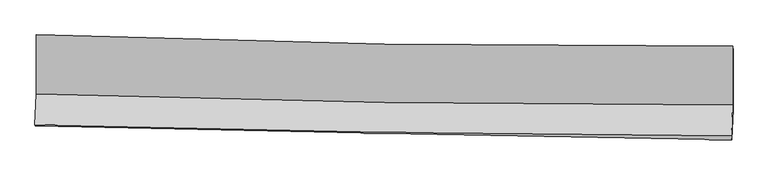
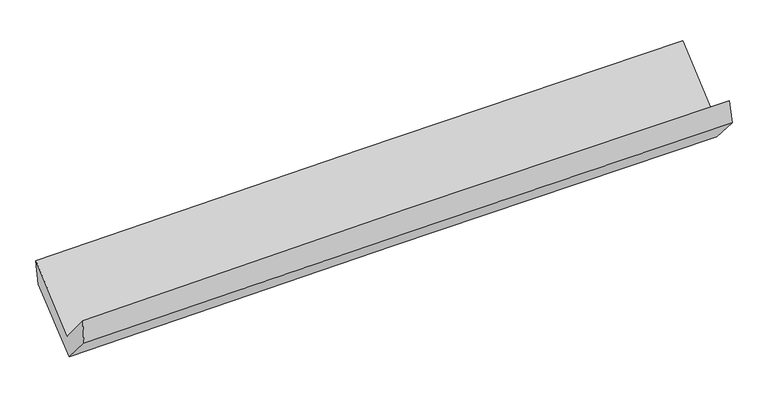
"""IFC4 building model written with IfcOpenShell, lengths in millimetres: proxy geometry."""

from ifc_helpers import new_model, si_unit, frame, origin, place, context, project, spatial, source, transform, mapped, element, save
from ifc_brep_helpers import plane_surface, spline_curve, spline_surface, advanced_brep


def generic_models_bc9e25b9(model_context):
    return source(origin(), model_context, "Body", "AdvancedBrep", [
        advanced_brep(
        [(-3026.2160895, -1150.4695229, 2176.0609162), (-3025.5798823, -1664.3222209, 1738.8585844), (3015.2348283, -1761.2897072, 1875.1141121), (3014.5985878, -1247.4101247, 2312.3393182), (-3036.0658422, -1931.8592669, 2055.5439463), (3004.7728937, -2028.2137748, 2191.0738875), (-3031.9041576, -1943.9196574, 1836.6207138), (3008.1657072, -2064.0943294, 1992.0568073), (-3022.2118076, -1691.2666561, 1548.1327506), (3018.3641848, -1798.2479676, 1688.5042074), (-3022.4176253, -1182.3121682, 1959.8157735), (3018.1567899, -1285.3933228, 2103.3419885)],
        [
            (0, 1),
            (1, 2, spline_curve(3, [(-3025.5798823, -1664.3222209, 1738.8585844), (-2019.640695957, -1697.51980381, 1790.05278847), (-1013.254768175, -1722.199205991, 1827.004431139), (1000.350188963, -1754.520680004, 1872.421232173), (2007.569164957, -1762.163773215, 1880.888098584), (3015.2348283, -1761.2897072, 1875.1141121)], [4, 2, 4], [0.0, 9.915102792740239, 19.82961096635424])),
            (2, 3),
            (3, 0, spline_curve(3, [(3014.5985878, -1247.4101247, 2312.3393182), (2006.939327246, -1253.455639489, 2313.713270412), (999.723555745, -1248.40058871, 2303.044414465), (-1013.881390157, -1216.088386363, 2257.619725211), (-2020.270510891, -1188.82990314, 2222.862446822), (-3026.2160895, -1150.4695229, 2176.0609162)], [4, 2, 4], [0.0, 9.914508173614003, 19.82961096635424])),
            (1, 4),
            (4, 5, spline_curve(3, [(-3036.0658422, -1931.8592669, 2055.5439463), (-2029.962148943, -1960.859647465, 2101.769894253), (-1023.49196784, -1983.389426618, 2136.177013977), (990.120987988, -2015.506819896, 2181.35224378), (1997.263719039, -2025.095209703, 2192.121770666), (3004.7728937, -2028.2137748, 2191.0738875)], [4, 2, 4], [0.0, 9.914855381732457, 19.829116159176174])),
            (5, 2),
            (4, 6),
            (6, 7, spline_curve(3, [(-3031.9041576, -1943.9196574, 1836.6207138), (-2025.496449459, -1967.312849302, 1871.970272177), (-1018.938342013, -1989.024250898, 1902.598306386), (994.418297846, -2029.082273105, 1954.409770974), (2001.216812026, -2047.429095473, 1975.593768386), (3008.1657072, -2064.0943294, 1992.0568073)], [4, 2, 4], [0.0, 9.914123465634804, 19.827652370874645])),
            (7, 5),
            (6, 8),
            (8, 9, spline_curve(3, [(-3022.2118076, -1691.2666561, 1548.1327506), (-2015.719688438, -1712.459489184, 1580.969863078), (-1009.077197169, -1731.971231943, 1609.086250209), (1004.448151943, -1767.631467334, 1655.876169529), (2011.33099106, -1783.780161761, 1674.550268298), (3018.3641848, -1798.2479676, 1688.5042074)], [4, 2, 4], [0.0, 9.913829395408522, 19.827064248057784])),
            (9, 7),
            (8, 10),
            (10, 11, spline_curve(3, [(-3022.4176253, -1182.3121682, 1959.8157735), (-2015.924112678, -1206.950554385, 1989.865847912), (-1009.281056073, -1227.859989338, 2016.851669746), (1004.243766663, -1262.219926731, 2064.693373653), (2011.125515237, -1275.67087659, 2085.549623695), (3018.1567899, -1285.3933228, 2103.3419885)], [4, 2, 4], [0.0, 9.91373992517961, 19.826885312965583])),
            (11, 9),
            (10, 0),
            (3, 11),
        ],
        [
            spline_surface(3, 3, [[(-3026.2160895, -1150.4695229, 2176.0609162), (-2020.270510926, -1188.829903289, 2222.862446892), (-1013.881390019, -1216.088386348, 2257.61972513), (999.723555607, -1248.400588725, 2303.044414546), (2006.939327145, -1253.455639622, 2313.713270336), (3014.5985878, -1247.4101247, 2312.3393182)], [(-3026.004020427, -1321.753755552, 2030.326805582), (-2020.060572559, -1358.393203474, 2078.592560732), (-1013.672516049, -1384.791992939, 2114.08129381), (999.932433402, -1417.107285785, 2159.503353757), (2007.149273036, -1423.025017448, 2169.438213123), (3014.810667969, -1418.703318872, 2166.597582834)], [(-3025.791951373, -1493.037988248, 1884.592695018), (-2019.850634214, -1527.956503701, 1934.322674625), (-1013.463642128, -1553.495599514, 1970.542862472), (1000.14131115, -1585.813982829, 2015.962292949), (2007.35921892, -1592.594395259, 2025.163155908), (3015.022748131, -1589.996513028, 2020.855847466)], [(-3025.5798823, -1664.3222209, 1738.8585844), (-2019.640695847, -1697.519803886, 1790.052788465), (-1013.254768158, -1722.199206105, 1827.004431153), (1000.350188946, -1754.520679889, 1872.42123216), (2007.569164811, -1762.163773086, 1880.888098695), (3015.2348283, -1761.2897072, 1875.1141121)]], [4, 4], [4, 2, 4], [0.0, 2.1801821084787636], [0.0, 9.915102792740239, 19.82961096635424]),
            spline_surface(3, 3, [[(-3025.5798823, -1664.3222209, 1738.8585844), (-2019.640695847, -1697.519803886, 1790.052788465), (-1013.254768158, -1722.199206105, 1827.004431153), (1000.350188946, -1754.520679889, 1872.42123216), (2007.569164811, -1762.163773086, 1880.888098695), (3015.2348283, -1761.2897072, 1875.1141121)], [(-3029.07520227, -1753.501236232, 1844.420371725), (-2023.081180174, -1785.299751706, 1893.958490369), (-1016.667168076, -1809.262612947, 1930.061958785), (996.940455302, -1841.516059881, 1975.398235962), (2004.134016239, -1849.807585345, 1984.632656039), (3011.747516775, -1850.264396398, 1980.434037236)], [(-3032.57052223, -1842.680251568, 1949.982158975), (-2026.521664492, -1873.079699531, 1997.864192199), (-1020.07956797, -1896.326019798, 2033.119486487), (993.53072168, -1928.511439882, 2078.375239834), (2000.698867641, -1937.451397609, 2088.377213376), (3008.260205225, -1939.239085602, 2085.753962364)], [(-3036.0658422, -1931.8592669, 2055.5439463), (-2029.96214882, -1960.859647351, 2101.769894103), (-1023.491967888, -1983.38942664, 2136.177014119), (990.120988036, -2015.506819874, 2181.352243637), (1997.263719069, -2025.095209868, 2192.12177072), (3004.7728937, -2028.2137748, 2191.0738875)]], [4, 4], [4, 2, 4], [0.0, 1.3277667980820695], [0.0, 9.914855381732457, 19.829116159176174]),
            spline_surface(3, 3, [[(-3036.0658422, -1931.8592669, 2055.5439463), (-2029.96214882, -1960.859647351, 2101.769894103), (-1023.491967888, -1983.38942664, 2136.177014119), (990.120988036, -2015.506819874, 2181.352243637), (1997.263719069, -2025.095209868, 2192.12177072), (3004.7728937, -2028.2137748, 2191.0738875)], [(-3034.678613999, -1935.879397055, 1982.569535435), (-2028.47358231, -1963.010714602, 2025.17002015), (-1021.974092556, -1985.267701369, 2058.317444819), (991.553424602, -2020.031970953, 2105.704752794), (1998.581416688, -2032.539838365, 2119.945769934), (3005.903831525, -2040.173959642, 2124.734860765)], [(-3033.291385801, -1939.899527245, 1909.595124665), (-2026.985015805, -1965.161781888, 1948.570146292), (-1020.456217229, -1987.14597613, 1980.457875536), (992.985861165, -2024.557122064, 2030.057261967), (1999.899114333, -2039.984466936, 2047.769769153), (3007.034769375, -2052.134144558, 2058.395834035)], [(-3031.9041576, -1943.9196574, 1836.6207138), (-2025.496449296, -1967.312849139, 1871.970272339), (-1018.938341898, -1989.02425086, 1902.598306236), (994.418297732, -2029.082273144, 1954.409771123), (2001.216811952, -2047.429095432, 1975.593768366), (3008.1657072, -2064.0943294, 1992.0568073)]], [4, 4], [4, 2, 4], [0.0, 0.7562451248350067], [0.0, 9.914123465634804, 19.827652370874645]),
            spline_surface(3, 3, [[(-3031.9041576, -1943.9196574, 1836.6207138), (-2025.496449296, -1967.312849139, 1871.970272339), (-1018.938341898, -1989.02425086, 1902.598306236), (994.418297732, -2029.082273144, 1954.409771123), (2001.216811952, -2047.429095432, 1975.593768366), (3008.1657072, -2064.0943294, 1992.0568073)], [(-3028.673374266, -1859.701990298, 1740.458059432), (-2022.237529022, -1882.361729138, 1774.970136002), (-1015.651293632, -1903.339911191, 1804.760954242), (997.761582401, -1941.93200456, 1854.898570631), (2004.588205034, -1959.546117574, 1875.245935002), (3011.565199748, -1975.478875469, 1890.872607342)], [(-3025.442590934, -1775.484323202, 1644.295404968), (-2018.978608751, -1797.410609142, 1677.96999957), (-1012.364245299, -1817.655571538, 1706.923602166), (1001.104867138, -1854.781735992, 1755.387370057), (2007.959598071, -1871.663139707, 1774.898101611), (3014.964692252, -1886.863421531, 1789.688407358)], [(-3022.2118076, -1691.2666561, 1548.1327506), (-2015.719688478, -1712.459489142, 1580.969863233), (-1009.077197033, -1731.971231869, 1609.086250172), (1004.448151807, -1767.631467408, 1655.876169565), (2011.330991153, -1783.780161848, 1674.550268246), (3018.3641848, -1798.2479676, 1688.5042074)]], [4, 4], [4, 2, 4], [0.0, 1.2914172026275612], [0.0, 9.913829395408522, 19.827064248057784]),
            spline_surface(3, 3, [[(-3022.2118076, -1691.2666561, 1548.1327506), (-2015.719688478, -1712.459489142, 1580.969863233), (-1009.077197033, -1731.971231869, 1609.086250172), (1004.448151807, -1767.631467408, 1655.876169565), (2011.330991153, -1783.780161848, 1674.550268246), (3018.3641848, -1798.2479676, 1688.5042074)], [(-3022.280413501, -1521.615160138, 1685.360424877), (-2015.787829926, -1543.956510847, 1717.268524727), (-1009.145150075, -1563.934150999, 1745.008056634), (1004.380023488, -1599.160953897, 1792.14857095), (2011.262499184, -1614.410400144, 1811.550053362), (3018.295053167, -1627.296419332, 1826.783467773)], [(-3022.349019399, -1351.963664162, 1822.588099223), (-2015.855971372, -1375.45353254, 1853.567186289), (-1009.213103167, -1395.897070096, 1880.929863156), (1004.311895119, -1430.690440353, 1928.420972396), (2011.194007213, -1445.040638444, 1948.549838459), (3018.225921533, -1456.344871068, 1965.062728127)], [(-3022.4176253, -1182.3121682, 1959.8157735), (-2015.92411282, -1206.950554246, 1989.865847783), (-1009.281056209, -1227.859989226, 2016.851669617), (1004.243766799, -1262.219926842, 2064.693373781), (2011.125515244, -1275.67087674, 2085.549623575), (3018.1567899, -1285.3933228, 2103.3419885)]], [4, 4], [4, 2, 4], [0.0, 2.129984920539447], [0.0, 9.91373992517961, 19.826885312965583]),
            spline_surface(3, 3, [[(-3022.4176253, -1182.3121682, 1959.8157735), (-2015.92411282, -1206.950554246, 1989.865847783), (-1009.281056209, -1227.859989226, 2016.851669617), (1004.243766799, -1262.219926842, 2064.693373781), (2011.125515244, -1275.67087674, 2085.549623575), (3018.1567899, -1285.3933228, 2103.3419885)], [(-3023.683780039, -1171.697953125, 2031.89748775), (-2017.372912194, -1200.910337285, 2067.531380836), (-1010.814500816, -1223.936121602, 2097.107688136), (1002.737029732, -1257.613480805, 2144.143720718), (2009.730119194, -1268.26579772, 2161.604172479), (3016.970722516, -1272.732256786, 2173.00776505)], [(-3024.949934761, -1161.083737975, 2103.97920195), (-2018.821711552, -1194.87012025, 2145.196913839), (-1012.347945412, -1220.012253971, 2177.363706611), (1001.230292675, -1253.007034762, 2223.59406761), (2008.334723195, -1260.860718642, 2237.658721432), (3015.784655184, -1260.071190714, 2242.67354165)], [(-3026.2160895, -1150.4695229, 2176.0609162), (-2020.270510926, -1188.829903289, 2222.862446892), (-1013.881390019, -1216.088386348, 2257.61972513), (999.723555607, -1248.400588725, 2303.044414546), (2006.939327145, -1253.455639622, 2313.713270336), (3014.5985878, -1247.4101247, 2312.3393182)]], [4, 4], [4, 2, 4], [0.0, 0.7872192650471648], [0.0, 9.914227833828262, 19.827861101002494]),
            plane_surface(frame((3013.2154986, -1697.4415377, 2027.0717202), z_axis=(0.999679901414471, -0.015665518746328343, 0.01986671161420591), x_axis=(-0.0003144114696230823, 0.7774896277679506, 0.6288956828112923))),
            plane_surface(frame((-3027.3992341, -1594.0249154, 1885.8387808), z_axis=(-0.999679901414478, 0.01566551874613577, -0.019866711614011), x_axis=(0.01737552599358783, -0.14565958195478118, -0.989182175982364))),
        ],
        [
            (0, [[1, 2, 3, 4]]),
            (1, [[5, 6, 7, -2]]),
            (2, [[8, 9, 10, -6]]),
            (3, [[11, 12, 13, -9]]),
            (4, [[14, 15, 16, -12]]),
            (5, [[17, -4, 18, -15]]),
            (6, [[-16, -18, -3, -7, -10, -13]]),
            (7, [[-17, -14, -11, -8, -5, -1]]),
        ],
    ),
    ])


if __name__ == "__main__":
    model = new_model("IFC4")
    model_context = context("Model", 3, world=origin())
    ifc_project = project(units=[si_unit("LENGTHUNIT", "METRE", prefix="MILLI")], contexts=[model_context])
    site = spatial("IfcSite", under=ifc_project)
    building = spatial("IfcBuilding", under=site)
    placement = place(None, origin())
    generic_models_shape = generic_models_bc9e25b9(model_context)
    element("IfcBuildingElementProxy", 1, Name="Generic Models", at=placement, inside=building, context=model_context, shape_type="MappedRepresentation", body=[
        mapped(generic_models_shape, transform((0.0, 0.0, 0.0), x_axis=(1.0, 0.0, 0.0), y_axis=(0.0, 1.0, 0.0), z_axis=(0.0, 0.0, 1.0))),
    ])
    save(model, "model.ifc")
